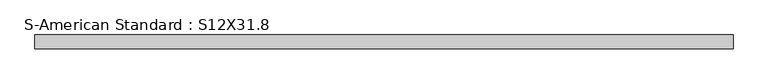
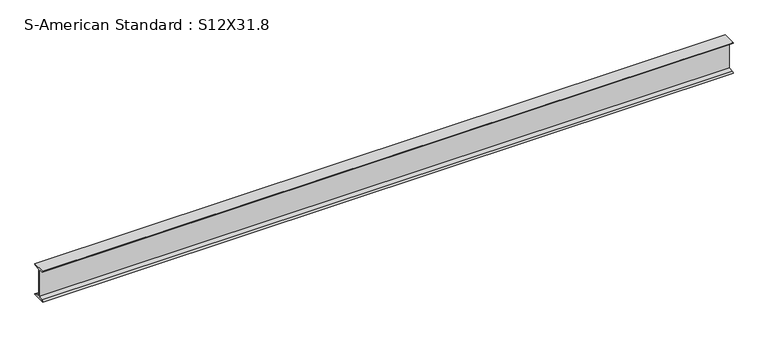
"""IFC4 building model written with IfcOpenShell, lengths in millimetres: beam geometry, S-American Standard : S12X31.8."""

from ifc_helpers import new_model, si_unit, point, frame, frame_2d, origin, place, context, project, spatial, polyline, circle_curve, trimmed, segment, composite_curve, outline, extrude, source, transform, mapped, element, save


def s_american_standard_s12x31_8_8c63f81e(model_context):
    return source(origin(), model_context, "Body", "SweptSolid", [
        extrude(outline(composite_curve([segment(polyline([(-63.5, 152.4), (63.5, 152.4)]), True, "CONTINUOUS"), segment(trimmed(circle_curve(frame_2d((49.7, 152.4)), 13.8), [point((63.5, 152.4))], [point((49.7, 138.6))], False, "CARTESIAN"), True, "CONTINUOUS"), segment(polyline([(49.7, 138.6), (4.45, 131.4331041), (4.45, -131.4331041), (49.7, -138.6)]), True, "CONTINUOUS"), segment(trimmed(circle_curve(frame_2d((49.7, -152.4)), 13.8), [point((49.7, -138.6))], [point((63.5, -152.4))], False, "CARTESIAN"), True, "CONTINUOUS"), segment(polyline([(63.5, -152.4), (-63.5, -152.4)]), True, "CONTINUOUS"), segment(trimmed(circle_curve(frame_2d((-49.7, -152.4)), 13.8), [point((-63.5, -152.4))], [point((-49.7, -138.6))], False, "CARTESIAN"), True, "CONTINUOUS"), segment(polyline([(-49.7, -138.6), (-4.45, -131.4331041), (-4.45, 131.4331041), (-49.7, 138.6)]), True, "CONTINUOUS"), segment(trimmed(circle_curve(frame_2d((-49.7, 152.4)), 13.8), [point((-49.7, 138.6))], [point((-63.5, 152.4))], False, "CARTESIAN"), True, "CONTINUOUS")], self_intersect=False)), frame((-3233.7216388, 0.0, 0.0), z_axis=(1.0, 0.0, 0.0), x_axis=(0.0, 1.0, 0.0)), (0.0, 0.0, 1.0), 6467.1269332),
    ])


if __name__ == "__main__":
    model = new_model("IFC4")
    model_context = context("Model", 3, world=origin())
    ifc_project = project(units=[si_unit("LENGTHUNIT", "METRE", prefix="MILLI")], contexts=[model_context])
    site = spatial("IfcSite", under=ifc_project)
    building = spatial("IfcBuilding", under=site)
    placement = place(None, origin())
    s_american_standard_s12x31_8_shape = s_american_standard_s12x31_8_8c63f81e(model_context)
    element("IfcBeam", 1, ObjectType="S-American Standard : S12X31.8", at=placement, inside=building, context=model_context, shape_type="MappedRepresentation", body=[
        mapped(s_american_standard_s12x31_8_shape, transform((0.0, 0.0, 0.0), x_axis=(1.0, 0.0, 0.0), y_axis=(0.0, 1.0, 0.0), z_axis=(0.0, 0.0, 1.0))),
    ])
    save(model, "model.ifc")
